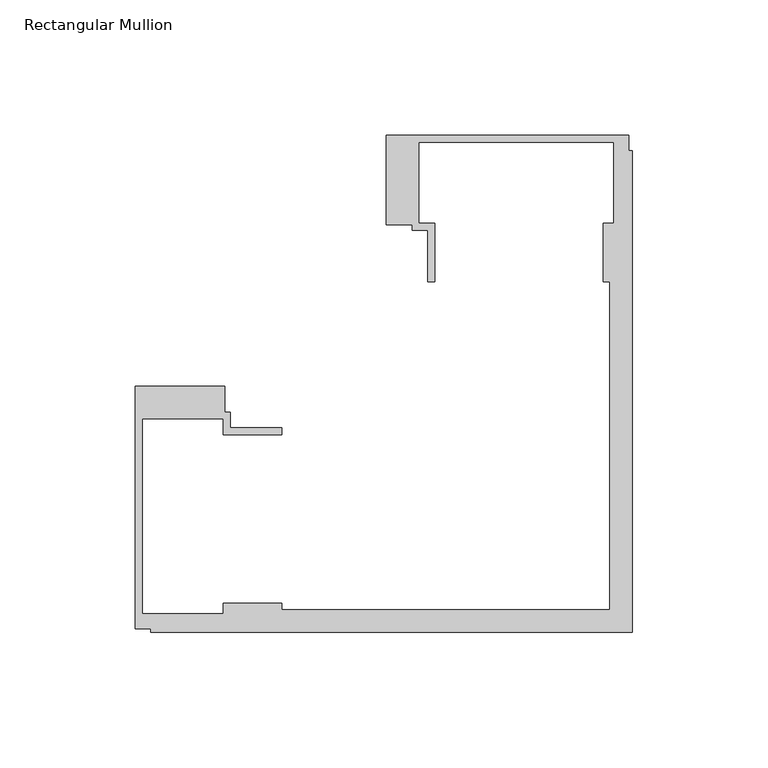
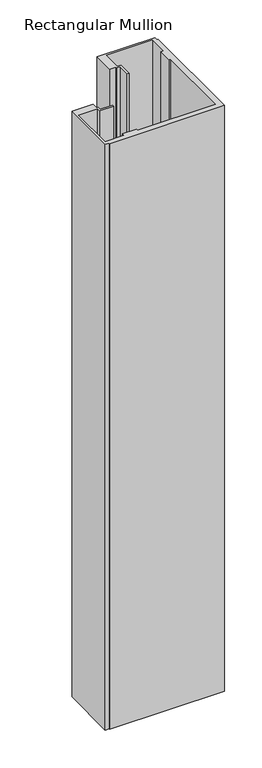
"""IFC4 building model written with IfcOpenShell, lengths in millimetres: member geometry, Rectangular Mullion."""

from ifc_helpers import new_model, si_unit, frame, origin, place, context, project, spatial, polyline, outline, extrude, source, transform, mapped, element, save


def rectangular_mullion_e5036a5d(model_context):
    return source(origin(), model_context, "Body", "SweptSolid", [
        extrude(outline(polyline([(-150.4039146, -14.9961656), (-150.4039146, -24.4862839), (-148.4039146, -24.4862839), (-148.4039146, -30.2961656), (-129.4039146, -30.2961656), (-129.4039146, -32.7961656), (-150.9039146, -32.7961656), (-150.9039146, -26.9961656), (-180.9039146, -26.9961656), (-180.9039146, -98.9961656), (-150.9039146, -98.9961656), (-150.9039146, -94.9961656), (-129.4039146, -94.9961656), (-129.4039146, -97.4961656), (-8.2039451, -97.4961656), (-8.2039451, 23.7038038), (-10.7039451, 23.7038038), (-10.7039451, 45.308114), (-6.7039451, 45.308114), (-6.7039451, 75.2038038), (-78.7039451, 75.2038038), (-78.7039451, 45.2038038), (-72.9039451, 45.2038038), (-72.9039451, 23.7038038), (-75.4039451, 23.7038038), (-75.4039451, 42.7038038), (-81.2039451, 42.7038038), (-81.2039451, 44.7038038), (-90.7039451, 44.7038038), (-90.7039451, 77.7038038), (-1.2039451, 77.7038038), (-1.2039451, 71.9884533), (0.0, 71.9884533), (0.0, -105.7001107), (-177.7039408, -105.7001107), (-177.7039408, -104.4961656), (-183.4039146, -104.4961656), (-183.4039146, -14.9961656), (-150.4039146, -14.9961656)])), frame((0.0, 0.0, -956.8287873), z_axis=(0.0, 0.0, 1.0), x_axis=(1.0, 0.0, 0.0)), (0.0, 0.0, 1.0), 956.8287873),
    ])


if __name__ == "__main__":
    model = new_model("IFC4")
    model_context = context("Model", 3, world=origin())
    ifc_project = project(units=[si_unit("LENGTHUNIT", "METRE", prefix="MILLI")], contexts=[model_context])
    site = spatial("IfcSite", under=ifc_project)
    building = spatial("IfcBuilding", under=site)
    placement = place(None, origin())
    rectangular_mullion_shape = rectangular_mullion_e5036a5d(model_context)
    element("IfcMember", 1, ObjectType="Rectangular Mullion", at=placement, inside=building, context=model_context, shape_type="MappedRepresentation", body=[
        mapped(rectangular_mullion_shape, transform((0.0, 0.0, 0.0), x_axis=(1.0, 0.0, 0.0), y_axis=(0.0, 1.0, 0.0), z_axis=(0.0, 0.0, 1.0))),
    ])
    save(model, "model.ifc")
